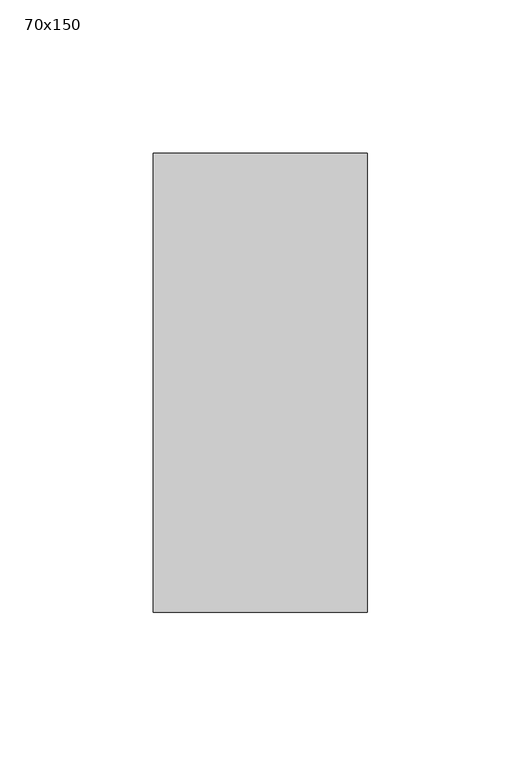
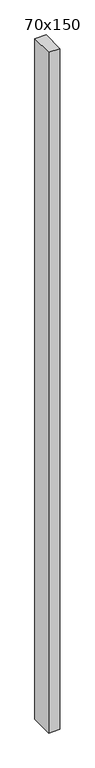
"""IFC4 building model written with IfcOpenShell, lengths in millimetres: member geometry, 70x150."""

from ifc_helpers import new_model, si_unit, frame, origin, place, context, project, spatial, polyline, outline, extrude, source, transform, mapped, element, save


def member_70x150_271f9d11(model_context):
    return source(origin(), model_context, "Body", "SweptSolid", [
        extrude(outline(polyline([(0.0, 75.0), (0.0, -75.0), (-70.0, -75.0), (-70.0, 75.0), (0.0, 75.0)])), frame((0.0, 0.0, -4500.0), z_axis=(0.0, 0.0, 1.0), x_axis=(1.0, 0.0, 0.0)), (0.0, 0.0, 1.0), 4500.0),
    ])


if __name__ == "__main__":
    model = new_model("IFC4")
    model_context = context("Model", 3, world=origin())
    ifc_project = project(units=[si_unit("LENGTHUNIT", "METRE", prefix="MILLI")], contexts=[model_context])
    site = spatial("IfcSite", under=ifc_project)
    building = spatial("IfcBuilding", under=site)
    placement = place(None, origin())
    member_70x150_shape = member_70x150_271f9d11(model_context)
    element("IfcMember", 1, ObjectType="70x150", at=placement, inside=building, context=model_context, shape_type="MappedRepresentation", body=[
        mapped(member_70x150_shape, transform((0.0, 0.0, 0.0), x_axis=(1.0, 0.0, 0.0), y_axis=(0.0, 1.0, 0.0), z_axis=(0.0, 0.0, 1.0))),
    ])
    save(model, "model.ifc")
